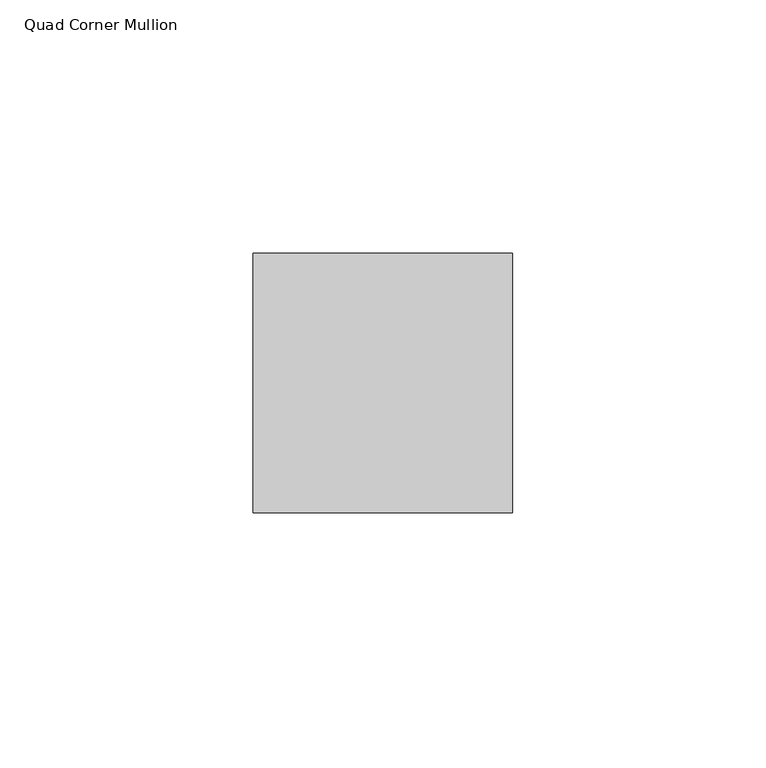
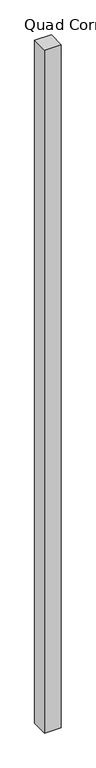
"""IFC4 building model written with IfcOpenShell, lengths in millimetres: member geometry, Quad Corner Mullion."""

from ifc_helpers import new_model, si_unit, frame, origin, place, context, project, spatial, polyline, outline, extrude, source, transform, mapped, element, save


def quad_corner_mullion_aa1512db(model_context):
    return source(origin(), model_context, "Body", "SweptSolid", [
        extrude(outline(polyline([(12.7496094, -38.5464844), (-38.5464844, -38.5464844), (-38.5464844, 12.7496094), (12.7496094, 12.7496094), (12.7496094, -38.5464844)])), frame((0.0, 0.0, -2209.3326946), z_axis=(0.0, 0.0, 1.0), x_axis=(1.0, 0.0, 0.0)), (0.0, 0.0, 1.0), 2209.3326946),
    ])


if __name__ == "__main__":
    model = new_model("IFC4")
    model_context = context("Model", 3, world=origin())
    ifc_project = project(units=[si_unit("LENGTHUNIT", "METRE", prefix="MILLI")], contexts=[model_context])
    site = spatial("IfcSite", under=ifc_project)
    building = spatial("IfcBuilding", under=site)
    placement = place(None, origin())
    quad_corner_mullion_shape = quad_corner_mullion_aa1512db(model_context)
    element("IfcMember", 1, ObjectType="Quad Corner Mullion", at=placement, inside=building, context=model_context, shape_type="MappedRepresentation", body=[
        mapped(quad_corner_mullion_shape, transform((0.0, 0.0, 0.0), x_axis=(1.0, 0.0, 0.0), y_axis=(0.0, 1.0, 0.0), z_axis=(0.0, 0.0, 1.0))),
    ])
    save(model, "model.ifc")
